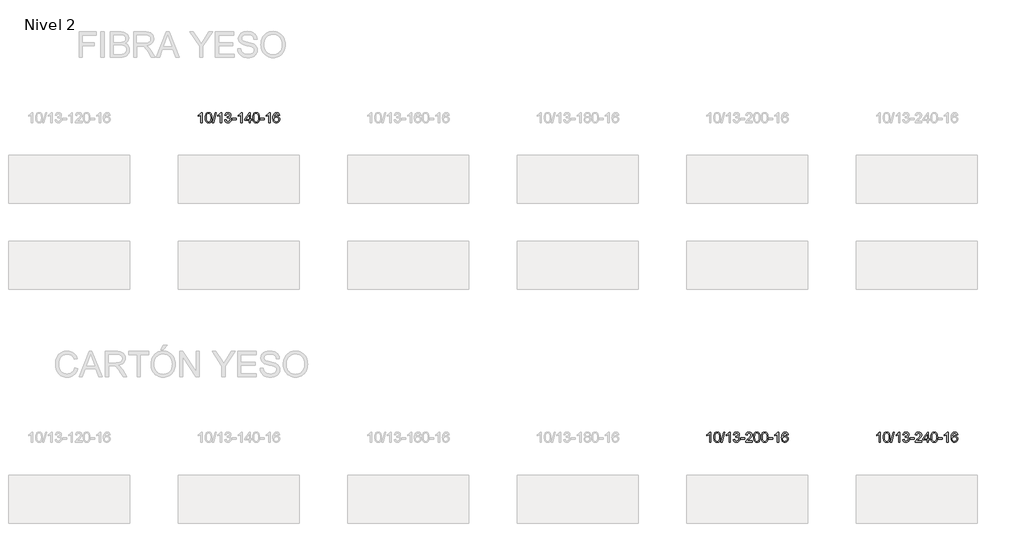
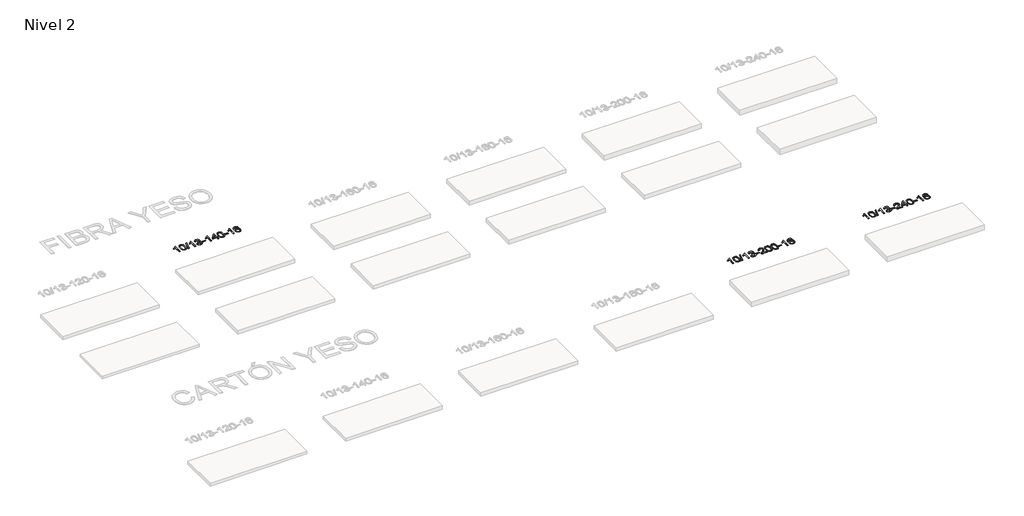
# One storey, part 27 of 51: 3 proxies.
"""IFC4 building model written with IfcOpenShell, lengths in millimetres."""

from ifc_helpers import new_model, si_unit, frame, origin, place, context, project, spatial, polyline, outline, extrude, element, save

model = new_model("IFC4")

# Units and contexts
model_context = context("Model", 3, world=origin())
ifc_project = project(units=[si_unit("LENGTHUNIT", "METRE", prefix="MILLI")], contexts=[model_context])

# Site, building, storey
site = spatial("IfcSite", under=ifc_project)
building = spatial("IfcBuilding", under=site)
storey = spatial("IfcBuildingStorey", under=building, Name="Nivel 2", Elevation=3000.0)

# Proxies
placement = place(None, origin())
element("IfcBuildingElementProxy", 1, Name="Texto de modelo 1", ObjectType="Texto de modelo 1", at=placement, inside=storey, context=model_context, shape_type="SweptSolid", body=[
    extrude(outline(polyline([(31144.4249421, -104863.8281584), (31094.196787, -104863.8281584), (31094.196787, -104550.6870041), (31073.2275133, -104567.6463641), (31046.6173823, -104584.5811986), (30993.7404768, -104609.9405308), (30993.7404768, -104562.459228), (31033.1896895, -104540.9994449), (31067.3659268, -104515.4684345), (31094.3071516, -104488.3187432), (31112.0513265, -104462.0029178), (31144.4249421, -104462.0029178), (31144.4249421, -104863.8281584)])), frame((0.0, 0.0, 3000.0), z_axis=(0.0, 0.0, 1.0), x_axis=(1.0, 0.0, 0.0)), (0.0, 0.0, 1.0), 10.0),
    extrude(outline(polyline([(31263.7168104, -104666.1528997), (31267.4078931, -104601.8348642), (31278.4811411, -104550.5398513), (31296.8261899, -104511.4830462), (31308.6842529, -104496.2496659), (31322.3326749, -104483.8796338), (31337.8174413, -104474.3085706), (31355.1845371, -104467.4720968), (31395.5657174, -104462.0029178), (31426.516856, -104465.2402794), (31454.2306329, -104474.9523641), (31477.4071986, -104490.7590271), (31494.7467033, -104512.2801238), (31507.8433024, -104539.3317132), (31518.291151, -104571.7298543), (31525.1337561, -104612.8713241), (31527.4146245, -104666.1528997), (31523.76033, -104730.1030532), (31512.7974466, -104781.2754387), (31494.5627623, -104820.3690321), (31482.7322905, -104835.6483976), (31469.0930656, -104848.082809), (31453.5899051, -104857.7182516), (31436.167627, -104864.6007106), (31395.5657174, -104870.1066778), (31367.9009914, -104867.7154449), (31343.3755251, -104860.5417459), (31321.9893184, -104848.5855811), (31303.7423715, -104831.8469503), (31286.2311885, -104801.5886562), (31273.7232006, -104763.8868831), (31266.2184079, -104718.7416309), (31263.7168104, -104666.1528997)]), holes=[polyline([(31313.9449655, -104666.0547978), (31315.4164934, -104709.719325), (31319.8310774, -104745.0635877), (31327.1887173, -104772.0875859), (31337.4894131, -104790.7913197), (31349.94835, -104803.516971), (31363.7807131, -104812.606722), (31378.9865022, -104818.0605726), (31395.5657174, -104819.8785227), (31412.1449327, -104818.0544412), (31427.3507218, -104812.5821965), (31441.1830848, -104803.4617887), (31453.6420218, -104790.6932178), (31463.9427176, -104771.9588272), (31471.3003575, -104744.9409603), (31475.7149415, -104709.6396172), (31477.1864694, -104666.0547978), (31475.7639924, -104623.5460333), (31471.4965613, -104588.8241043), (31464.384176, -104561.8890109), (31454.4268367, -104542.740753), (31442.1763662, -104529.392768), (31428.1845877, -104519.8584929), (31412.451501, -104514.1379279), (31394.9771063, -104512.2310729), (31378.4837301, -104513.9110674), (31363.5354584, -104518.9510507), (31350.132291, -104527.3510229), (31338.2742281, -104539.110984), (31327.6301757, -104559.9576304), (31320.0272811, -104588.0638149), (31315.4655444, -104623.4295373), (31313.9449655, -104666.0547978)])]), frame((0.0, 0.0, 3000.0), z_axis=(0.0, 0.0, 1.0), x_axis=(1.0, 0.0, 0.0)), (0.0, 0.0, 1.0), 10.0),
    extrude(outline(polyline([(31546.2501827, -104863.8281584), (31659.2635316, -104462.0029178), (31704.5865934, -104462.0029178), (31591.5732445, -104863.8281584), (31546.2501827, -104863.8281584)])), frame((0.0, 0.0, 3000.0), z_axis=(0.0, 0.0, 1.0), x_axis=(1.0, 0.0, 0.0)), (0.0, 0.0, 1.0), 10.0),
    extrude(outline(polyline([(31916.6828263, -104863.8281584), (31866.4546713, -104863.8281584), (31866.4546713, -104550.6870041), (31845.4853975, -104567.6463641), (31818.8752666, -104584.5811986), (31765.9983611, -104609.9405308), (31765.9983611, -104562.459228), (31805.4475737, -104540.9994449), (31839.6238111, -104515.4684345), (31866.5650359, -104488.3187432), (31884.3092108, -104462.0029178), (31916.6828263, -104462.0029178), (31916.6828263, -104863.8281584)])), frame((0.0, 0.0, 3000.0), z_axis=(0.0, 0.0, 1.0), x_axis=(1.0, 0.0, 0.0)), (0.0, 0.0, 1.0), 10.0),
    extrude(outline(polyline([(32035.9746947, -104757.0933289), (32086.2028497, -104750.8148095), (32097.447776, -104782.3790847), (32113.9166267, -104803.691715), (32136.4187421, -104815.8318208), (32165.7634625, -104819.8785227), (32200.1972173, -104814.3112419), (32214.4710387, -104807.3521408), (32226.7828228, -104797.6093993), (32243.778971, -104772.6915255), (32249.4443537, -104742.476151), (32243.8280219, -104713.7936181), (32226.9790265, -104690.5312132), (32201.4725415, -104675.1169576), (32169.8837409, -104669.9788724), (32134.6651712, -104675.4725769), (32140.2569776, -104625.2444218), (32148.3013305, -104625.833033), (32178.3940777, -104622.2277895), (32205.2985143, -104611.4120588), (32216.3717624, -104603.2328158), (32224.2812252, -104593.1160609), (32229.026903, -104581.0617942), (32230.6087956, -104567.0700157), (32226.0225334, -104545.3772407), (32212.2637467, -104527.7802186), (32191.2699475, -104516.1183593), (32164.9786476, -104512.2310729), (32138.6382968, -104516.1551475), (32117.1049373, -104527.9273714), (32101.3841134, -104547.5477445), (32092.4813691, -104575.0162668), (32042.253214, -104568.7377474), (32048.206771, -104544.7579727), (32057.0420702, -104523.6354148), (32068.7591118, -104505.3700737), (32083.3578956, -104489.9619495), (32100.3785693, -104477.7298731), (32119.3612802, -104468.9926757), (32140.3060285, -104463.7503573), (32163.2128141, -104462.0029178), (32194.789352, -104465.4487459), (32223.7907159, -104475.7862299), (32248.2426059, -104492.095665), (32266.1707218, -104513.4573462), (32277.1703934, -104538.0686517), (32280.8369506, -104564.1269597), (32277.3543344, -104588.4071714), (32266.9064858, -104610.4310402), (32249.6405575, -104629.1930219), (32225.7037023, -104643.6875725), (32257.1453502, -104656.3917641), (32280.4445432, -104678.0232254), (32294.8655174, -104707.4047341), (32299.6725088, -104743.3590678), (32297.2690131, -104768.8410273), (32290.058526, -104792.3118986), (32278.0410475, -104813.7716816), (32261.2165776, -104833.2203764), (32240.7194191, -104849.3581333), (32217.6838748, -104860.8851025), (32192.1099448, -104867.801284), (32163.997629, -104870.1066778), (32138.5892458, -104868.1385091), (32115.4372056, -104862.2340031), (32094.5415083, -104852.3931598), (32075.9021539, -104838.615979), (32060.2733004, -104821.7118014), (32048.4091061, -104802.4899671), (32040.3095708, -104780.9504763), (32035.9746947, -104757.0933289)])), frame((0.0, 0.0, 3000.0), z_axis=(0.0, 0.0, 1.0), x_axis=(1.0, 0.0, 0.0)), (0.0, 0.0, 1.0), 10.0),
    extrude(outline(polyline([(32331.0651057, -104744.5362901), (32331.0651057, -104694.3081351), (32488.0280903, -104694.3081351), (32488.0280903, -104744.5362901), (32331.0651057, -104744.5362901)])), frame((0.0, 0.0, 3000.0), z_axis=(0.0, 0.0, 1.0), x_axis=(1.0, 0.0, 0.0)), (0.0, 0.0, 1.0), 10.0),
    extrude(outline(polyline([(32720.3333075, -104863.8281584), (32670.1051525, -104863.8281584), (32670.1051525, -104550.6870041), (32649.1358787, -104567.6463641), (32622.5257478, -104584.5811986), (32569.6488423, -104609.9405308), (32569.6488423, -104562.459228), (32609.0980549, -104540.9994449), (32643.2742923, -104515.4684345), (32670.2155171, -104488.3187432), (32687.959692, -104462.0029178), (32720.3333075, -104462.0029178), (32720.3333075, -104863.8281584)])), frame((0.0, 0.0, 3000.0), z_axis=(0.0, 0.0, 1.0), x_axis=(1.0, 0.0, 0.0)), (0.0, 0.0, 1.0), 10.0),
    extrude(outline(polyline([(33002.8666798, -104863.8281584), (33002.8666798, -104769.6503677), (32820.7896177, -104769.6503677), (32820.7896177, -104719.4222126), (33015.4237186, -104468.2814372), (33053.0948349, -104468.2814372), (33053.0948349, -104719.4222126), (33103.32299, -104719.4222126), (33103.32299, -104769.6503677), (33053.0948349, -104769.6503677), (33053.0948349, -104863.8281584), (33002.8666798, -104863.8281584)]), holes=[polyline([(33002.8666798, -104719.4222126), (33002.8666798, -104564.2250616), (32882.5937929, -104719.4222126), (33002.8666798, -104719.4222126)])]), frame((0.0, 0.0, 3000.0), z_axis=(0.0, 0.0, 1.0), x_axis=(1.0, 0.0, 0.0)), (0.0, 0.0, 1.0), 10.0),
    extrude(outline(polyline([(33147.2726257, -104666.1528997), (33150.9637084, -104601.8348642), (33162.0369564, -104550.5398513), (33180.3820052, -104511.4830462), (33192.2400682, -104496.2496659), (33205.8884902, -104483.8796338), (33221.3732566, -104474.3085706), (33238.7403524, -104467.4720968), (33279.1215328, -104462.0029178), (33310.0726713, -104465.2402794), (33337.7864483, -104474.9523641), (33360.9630139, -104490.7590271), (33378.3025187, -104512.2801238), (33391.3991177, -104539.3317132), (33401.8469663, -104571.7298543), (33408.6895715, -104612.8713241), (33410.9704398, -104666.1528997), (33407.3161453, -104730.1030532), (33396.3532619, -104781.2754387), (33378.1185777, -104820.3690321), (33366.2881058, -104835.6483976), (33352.6488809, -104848.082809), (33337.1457204, -104857.7182516), (33319.7234423, -104864.6007106), (33279.1215328, -104870.1066778), (33251.4568067, -104867.7154449), (33226.9313404, -104860.5417459), (33205.5451337, -104848.5855811), (33187.2981868, -104831.8469503), (33169.7870038, -104801.5886562), (33157.279016, -104763.8868831), (33149.7742232, -104718.7416309), (33147.2726257, -104666.1528997)]), holes=[polyline([(33197.5007808, -104666.0547978), (33198.9723087, -104709.719325), (33203.3868927, -104745.0635877), (33210.7445326, -104772.0875859), (33221.0452284, -104790.7913197), (33233.5041654, -104803.516971), (33247.3365284, -104812.606722), (33262.5423175, -104818.0605726), (33279.1215328, -104819.8785227), (33295.700748, -104818.0544412), (33310.9065371, -104812.5821965), (33324.7389002, -104803.4617887), (33337.1978371, -104790.6932178), (33347.4985329, -104771.9588272), (33354.8561728, -104744.9409603), (33359.2707568, -104709.6396172), (33360.7422847, -104666.0547978), (33359.3198077, -104623.5460333), (33355.0523766, -104588.8241043), (33347.9399913, -104561.8890109), (33337.982652, -104542.740753), (33325.7321815, -104529.392768), (33311.740403, -104519.8584929), (33296.0073163, -104514.1379279), (33278.5329216, -104512.2310729), (33262.0395454, -104513.9110674), (33247.0912737, -104518.9510507), (33233.6881063, -104527.3510229), (33221.8300434, -104539.110984), (33211.185991, -104559.9576304), (33203.5830964, -104588.0638149), (33199.0213597, -104623.4295373), (33197.5007808, -104666.0547978)])]), frame((0.0, 0.0, 3000.0), z_axis=(0.0, 0.0, 1.0), x_axis=(1.0, 0.0, 0.0)), (0.0, 0.0, 1.0), 10.0),
    extrude(outline(polyline([(33442.3630367, -104744.5362901), (33442.3630367, -104694.3081351), (33599.3260214, -104694.3081351), (33599.3260214, -104744.5362901), (33442.3630367, -104744.5362901)])), frame((0.0, 0.0, 3000.0), z_axis=(0.0, 0.0, 1.0), x_axis=(1.0, 0.0, 0.0)), (0.0, 0.0, 1.0), 10.0),
    extrude(outline(polyline([(33831.6312386, -104863.8281584), (33781.4030835, -104863.8281584), (33781.4030835, -104550.6870041), (33760.4338098, -104567.6463641), (33733.8236788, -104584.5811986), (33680.9467734, -104609.9405308), (33680.9467734, -104562.459228), (33720.395986, -104540.9994449), (33754.5722233, -104515.4684345), (33781.5134481, -104488.3187432), (33799.257623, -104462.0029178), (33831.6312386, -104462.0029178), (33831.6312386, -104863.8281584)])), frame((0.0, 0.0, 3000.0), z_axis=(0.0, 0.0, 1.0), x_axis=(1.0, 0.0, 0.0)), (0.0, 0.0, 1.0), 10.0),
    extrude(outline(polyline([(34208.3424016, -104568.7377474), (34158.1142466, -104575.0162668), (34150.0208427, -104550.1229184), (34139.0824847, -104533.1267702), (34116.2983264, -104517.4549972), (34088.7562277, -104512.2310729), (34065.4079838, -104515.2722307), (34043.4331659, -104524.3957042), (34024.5608196, -104543.6114071), (34009.146564, -104570.0621226), (33998.7355035, -104607.4757215), (33994.8727426, -104659.5800747), (34015.0204132, -104636.0724152), (34039.1657348, -104619.5054627), (34065.9598068, -104609.6830134), (34094.0537285, -104606.4088637), (34118.1867874, -104608.6468125), (34140.4559108, -104615.3606589), (34160.8610988, -104626.5504029), (34179.4023513, -104642.2160445), (34194.8104756, -104661.4256161), (34205.8162786, -104683.2471497), (34212.4197604, -104707.6806456), (34214.620921, -104734.7261036), (34210.4761172, -104770.6927), (34198.0417058, -104804.0350715), (34178.3477563, -104832.3129342), (34152.4243384, -104853.0860042), (34121.4486744, -104865.8515094), (34086.5979867, -104870.1066778), (34056.655458, -104867.2862492), (34029.6130656, -104858.8249633), (34005.4708097, -104844.7228202), (33984.2286902, -104824.9798197), (33966.9106453, -104798.7620962), (33954.5406132, -104765.2357837), (33947.1185939, -104724.4008823), (33944.6445875, -104676.2573918), (33947.3914397, -104622.2829718), (33955.6319964, -104576.2180146), (33969.3662576, -104538.0625203), (33988.5942232, -104507.816489), (34009.4347382, -104487.7730516), (34033.5984539, -104473.4563106), (34061.0853703, -104464.866266), (34091.8954874, -104462.0029178), (34115.0291336, -104463.7748828), (34135.9677505, -104469.0907776), (34154.7113381, -104477.9506023), (34171.2598965, -104490.3543569), (34185.1658359, -104505.8851085), (34195.9815666, -104524.1259241), (34203.7070885, -104545.0768037), (34208.3424016, -104568.7377474)]), holes=[polyline([(33994.8727426, -104733.9412887), (33997.7790103, -104756.1981494), (34006.4978136, -104777.449466), (34020.035871, -104795.7209384), (34037.3999012, -104809.0382666), (34058.3569122, -104817.1684587), (34082.6739121, -104819.8785227), (34115.8200798, -104814.262191), (34129.7352163, -104807.2417762), (34141.8783878, -104797.4131956), (34151.7284283, -104785.1749879), (34158.7641714, -104770.9256919), (34164.3927659, -104736.3938353), (34158.8377478, -104703.2476675), (34151.8939752, -104689.6268367), (34142.1726934, -104677.9741745), (34129.9927337, -104668.6391688), (34115.6729271, -104661.9713077), (34080.6137729, -104656.6370188), (34047.5166561, -104661.9713077), (34019.8396673, -104677.9741745), (34008.9166377, -104689.4735525), (34001.1144738, -104702.6345309), (33996.4331754, -104717.4571096), (33994.8727426, -104733.9412887)])]), frame((0.0, 0.0, 3000.0), z_axis=(0.0, 0.0, 1.0), x_axis=(1.0, 0.0, 0.0)), (0.0, 0.0, 1.0), 10.0),
])
element("IfcBuildingElementProxy", 2, Name="Texto de modelo 1", ObjectType="Texto de modelo 1", at=placement, inside=storey, context=model_context, shape_type="SweptSolid", body=[
    extrude(outline(polyline([(51289.2465465, -117522.2088613), (51239.0183915, -117522.2088613), (51239.0183915, -117209.067707), (51218.0491177, -117226.027067), (51191.4389868, -117242.9619015), (51138.5620813, -117268.3212337), (51138.5620813, -117220.8399309), (51178.0112939, -117199.3801478), (51212.1875313, -117173.8491374), (51239.1287561, -117146.6994461), (51256.872931, -117120.3836207), (51289.2465465, -117120.3836207), (51289.2465465, -117522.2088613)])), frame((0.0, 0.0, 3000.0), z_axis=(0.0, 0.0, 1.0), x_axis=(1.0, 0.0, 0.0)), (0.0, 0.0, 1.0), 10.0),
    extrude(outline(polyline([(51408.5384148, -117324.5336026), (51412.2294975, -117260.2155671), (51423.3027456, -117208.9205542), (51441.6477944, -117169.8637491), (51453.5058574, -117154.6303688), (51467.1542794, -117142.2603367), (51482.6390457, -117132.6892735), (51500.0061416, -117125.8527997), (51540.3873219, -117120.3836207), (51571.3384604, -117123.6209823), (51599.0522374, -117133.333067), (51622.2288031, -117149.13973), (51639.5683078, -117170.6608267), (51652.6649068, -117197.7124161), (51663.1127555, -117230.1105572), (51669.9553606, -117271.252027), (51672.236229, -117324.5336026), (51668.5819345, -117388.4837561), (51657.6190511, -117439.6561416), (51639.3843668, -117478.749735), (51627.553895, -117494.0291005), (51613.91467, -117506.4635119), (51598.4115096, -117516.0989545), (51580.9892315, -117522.9814135), (51540.3873219, -117528.4873807), (51512.7225959, -117526.0961478), (51488.1971295, -117518.9224488), (51466.8109229, -117506.966284), (51448.5639759, -117490.2276532), (51431.052793, -117459.9693591), (51418.5448051, -117422.267586), (51411.0400124, -117377.1223338), (51408.5384148, -117324.5336026)]), holes=[polyline([(51458.7665699, -117324.4355007), (51460.2380979, -117368.1000279), (51464.6526818, -117403.4442906), (51472.0103218, -117430.4682888), (51482.3110176, -117449.1720226), (51494.7699545, -117461.8976739), (51508.6023175, -117470.9874249), (51523.8081067, -117476.4412755), (51540.3873219, -117478.2592256), (51556.9665372, -117476.4351441), (51572.1723263, -117470.9628994), (51586.0046893, -117461.8424916), (51598.4636262, -117449.0739207), (51608.7643221, -117430.3395301), (51616.121962, -117403.3216632), (51620.5365459, -117368.0203201), (51622.0080739, -117324.4355007), (51620.5855969, -117281.9267362), (51616.3181657, -117247.2048072), (51609.2057805, -117220.2697138), (51599.2484411, -117201.1214559), (51586.9979707, -117187.7734709), (51573.0061922, -117178.2391958), (51557.2731055, -117172.5186308), (51539.7987107, -117170.6117758), (51523.3053346, -117172.2917703), (51508.3570629, -117177.3317536), (51494.9538955, -117185.7317258), (51483.0958325, -117197.4916869), (51472.4517801, -117218.3383333), (51464.8488856, -117246.4445178), (51460.2871488, -117281.8102402), (51458.7665699, -117324.4355007)])]), frame((0.0, 0.0, 3000.0), z_axis=(0.0, 0.0, 1.0), x_axis=(1.0, 0.0, 0.0)), (0.0, 0.0, 1.0), 10.0),
    extrude(outline(polyline([(51691.0717871, -117522.2088613), (51804.0851361, -117120.3836207), (51849.4081979, -117120.3836207), (51736.394849, -117522.2088613), (51691.0717871, -117522.2088613)])), frame((0.0, 0.0, 3000.0), z_axis=(0.0, 0.0, 1.0), x_axis=(1.0, 0.0, 0.0)), (0.0, 0.0, 1.0), 10.0),
    extrude(outline(polyline([(52061.5044308, -117522.2088613), (52011.2762757, -117522.2088613), (52011.2762757, -117209.067707), (51990.307002, -117226.027067), (51963.696871, -117242.9619015), (51910.8199656, -117268.3212337), (51910.8199656, -117220.8399309), (51950.2691782, -117199.3801478), (51984.4454156, -117173.8491374), (52011.3866403, -117146.6994461), (52029.1308152, -117120.3836207), (52061.5044308, -117120.3836207), (52061.5044308, -117522.2088613)])), frame((0.0, 0.0, 3000.0), z_axis=(0.0, 0.0, 1.0), x_axis=(1.0, 0.0, 0.0)), (0.0, 0.0, 1.0), 10.0),
    extrude(outline(polyline([(52180.7962991, -117415.4740318), (52231.0244542, -117409.1955124), (52242.2693805, -117440.7597876), (52258.7382312, -117462.0724179), (52281.2403465, -117474.2125237), (52310.585067, -117478.2592256), (52345.0188218, -117472.6919448), (52359.2926432, -117465.7328437), (52371.6044273, -117455.9901022), (52388.6005755, -117431.0722284), (52394.2659582, -117400.8568539), (52388.6496264, -117372.174321), (52371.800631, -117348.9119161), (52346.294146, -117333.4976605), (52314.7053454, -117328.3595753), (52279.4867757, -117333.8532798), (52285.078582, -117283.6251247), (52293.122935, -117284.2137359), (52323.2156822, -117280.6084924), (52350.1201188, -117269.7927617), (52361.1933668, -117261.6135187), (52369.1028297, -117251.4967638), (52373.8485075, -117239.4424971), (52375.4304, -117225.4507186), (52370.8441378, -117203.7579436), (52357.0853512, -117186.1609215), (52336.091552, -117174.4990622), (52309.8002521, -117170.6117758), (52283.4599012, -117174.5358504), (52261.9265418, -117186.3080743), (52246.2057179, -117205.9284474), (52237.3029736, -117233.3969697), (52187.0748185, -117227.1184503), (52193.0283755, -117203.1386756), (52201.8636747, -117182.0161177), (52213.5807163, -117163.7507766), (52228.1795001, -117148.3426524), (52245.2001737, -117136.110576), (52264.1828847, -117127.3733786), (52285.127633, -117122.1310602), (52308.0344185, -117120.3836207), (52339.6109564, -117123.8294488), (52368.6123204, -117134.1669328), (52393.0642103, -117150.4763679), (52410.9923262, -117171.8380491), (52421.9919979, -117196.4493546), (52425.6585551, -117222.5076626), (52422.1759389, -117246.7878743), (52411.7280902, -117268.8117431), (52394.4621619, -117287.5737248), (52370.5253068, -117302.0682754), (52401.9669546, -117314.772467), (52425.2661477, -117336.4039283), (52439.6871219, -117365.785437), (52444.4941133, -117401.7397707), (52442.0906176, -117427.2217302), (52434.8801305, -117450.6926015), (52422.862652, -117472.1523845), (52406.038182, -117491.6010793), (52385.5410235, -117507.7388362), (52362.5054793, -117519.2658054), (52336.9315492, -117526.1819869), (52308.8192334, -117528.4873807), (52283.4108503, -117526.519212), (52260.2588101, -117520.614706), (52239.3631128, -117510.7738627), (52220.7237583, -117496.9966819), (52205.0949049, -117480.0925043), (52193.2307106, -117460.87067), (52185.1311753, -117439.3311792), (52180.7962991, -117415.4740318)])), frame((0.0, 0.0, 3000.0), z_axis=(0.0, 0.0, 1.0), x_axis=(1.0, 0.0, 0.0)), (0.0, 0.0, 1.0), 10.0),
    extrude(outline(polyline([(52475.8867102, -117402.916993), (52475.8867102, -117352.688838), (52632.8496948, -117352.688838), (52632.8496948, -117402.916993), (52475.8867102, -117402.916993)])), frame((0.0, 0.0, 3000.0), z_axis=(0.0, 0.0, 1.0), x_axis=(1.0, 0.0, 0.0)), (0.0, 0.0, 1.0), 10.0),
    extrude(outline(polyline([(52934.2186252, -117471.9807063), (52934.2186252, -117522.2088613), (52670.5208111, -117522.2088613), (52671.6244571, -117504.5260001), (52675.9164137, -117487.5789029), (52688.3017742, -117460.5150507), (52706.4260938, -117434.260539), (52732.6438174, -117406.779754), (52769.3093895, -117376.0370819), (52823.5106702, -117327.8935915), (52856.0314385, -117292.3561908), (52872.2918227, -117263.5142423), (52877.7119508, -117235.4571088), (52872.5983911, -117210.3062431), (52857.2577119, -117189.398283), (52833.676476, -117175.3084026), (52803.8412462, -117170.6117758), (52772.5099629, -117175.198038), (52748.1684376, -117188.9568246), (52732.4598764, -117210.8090152), (52727.0274856, -117239.675489), (52676.7993305, -117233.3969697), (52681.1188782, -117207.4674204), (52688.9762245, -117184.8120208), (52700.3713693, -117165.430771), (52715.3043127, -117149.323671), (52733.431698, -117136.662399), (52754.4101687, -117127.6186333), (52778.239725, -117122.1923739), (52804.9203667, -117120.3836207), (52831.8401317, -117122.394709), (52855.7984466, -117128.4279737), (52876.7953115, -117138.4834149), (52894.8307263, -117152.5610326), (52909.3160799, -117169.6184944), (52919.662761, -117188.6134681), (52925.8707696, -117209.5459536), (52927.9401059, -117232.415951), (52925.7082884, -117256.4386453), (52919.0128361, -117280.0444066), (52907.1302477, -117304.0548382), (52889.3370218, -117329.2915431), (52860.97332, -117359.4210785), (52817.3793036, -117398.1100016), (52759.5973049, -117446.4251703), (52736.935774, -117471.9807063), (52934.2186252, -117471.9807063)])), frame((0.0, 0.0, 3000.0), z_axis=(0.0, 0.0, 1.0), x_axis=(1.0, 0.0, 0.0)), (0.0, 0.0, 1.0), 10.0),
    extrude(outline(polyline([(52984.4467803, -117324.5336026), (52988.137863, -117260.2155671), (52999.2111111, -117208.9205542), (53017.5561599, -117169.8637491), (53029.4142229, -117154.6303688), (53043.0626449, -117142.2603367), (53058.5474112, -117132.6892735), (53075.9145071, -117125.8527997), (53116.2956874, -117120.3836207), (53147.2468259, -117123.6209823), (53174.9606029, -117133.333067), (53198.1371686, -117149.13973), (53215.4766733, -117170.6608267), (53228.5732723, -117197.7124161), (53239.021121, -117230.1105572), (53245.8637261, -117271.252027), (53248.1445945, -117324.5336026), (53244.4903, -117388.4837561), (53233.5274165, -117439.6561416), (53215.2927323, -117478.749735), (53203.4622605, -117494.0291005), (53189.8230355, -117506.4635119), (53174.3198751, -117516.0989545), (53156.8975969, -117522.9814135), (53116.2956874, -117528.4873807), (53088.6309614, -117526.0961478), (53064.105495, -117518.9224488), (53042.7192884, -117506.966284), (53024.4723414, -117490.2276532), (53006.9611584, -117459.9693591), (52994.4531706, -117422.267586), (52986.9483779, -117377.1223338), (52984.4467803, -117324.5336026)]), holes=[polyline([(53034.6749354, -117324.4355007), (53036.1464634, -117368.1000279), (53040.5610473, -117403.4442906), (53047.9186872, -117430.4682888), (53058.2193831, -117449.1720226), (53070.67832, -117461.8976739), (53084.510683, -117470.9874249), (53099.7164721, -117476.4412755), (53116.2956874, -117478.2592256), (53132.8749026, -117476.4351441), (53148.0806918, -117470.9628994), (53161.9130548, -117461.8424916), (53174.3719917, -117449.0739207), (53184.6726876, -117430.3395301), (53192.0303275, -117403.3216632), (53196.4449114, -117368.0203201), (53197.9164394, -117324.4355007), (53196.4939623, -117281.9267362), (53192.2265312, -117247.2048072), (53185.114146, -117220.2697138), (53175.1568066, -117201.1214559), (53162.9063362, -117187.7734709), (53148.9145576, -117178.2391958), (53133.181471, -117172.5186308), (53115.7070762, -117170.6117758), (53099.2137001, -117172.2917703), (53084.2654283, -117177.3317536), (53070.862261, -117185.7317258), (53059.004198, -117197.4916869), (53048.3601456, -117218.3383333), (53040.757251, -117246.4445178), (53036.1955143, -117281.8102402), (53034.6749354, -117324.4355007)])]), frame((0.0, 0.0, 3000.0), z_axis=(0.0, 0.0, 1.0), x_axis=(1.0, 0.0, 0.0)), (0.0, 0.0, 1.0), 10.0),
    extrude(outline(polyline([(53292.0942302, -117324.5336026), (53295.7853128, -117260.2155671), (53306.8585609, -117208.9205542), (53325.2036097, -117169.8637491), (53337.0616727, -117154.6303688), (53350.7100947, -117142.2603367), (53366.194861, -117132.6892735), (53383.5619569, -117125.8527997), (53423.9431372, -117120.3836207), (53454.8942758, -117123.6209823), (53482.6080527, -117133.333067), (53505.7846184, -117149.13973), (53523.1241231, -117170.6608267), (53536.2207222, -117197.7124161), (53546.6685708, -117230.1105572), (53553.5111759, -117271.252027), (53555.7920443, -117324.5336026), (53552.1377498, -117388.4837561), (53541.1748664, -117439.6561416), (53522.9401821, -117478.749735), (53511.1097103, -117494.0291005), (53497.4704853, -117506.4635119), (53481.9673249, -117516.0989545), (53464.5450468, -117522.9814135), (53423.9431372, -117528.4873807), (53396.2784112, -117526.0961478), (53371.7529448, -117518.9224488), (53350.3667382, -117506.966284), (53332.1197912, -117490.2276532), (53314.6086083, -117459.9693591), (53302.1006204, -117422.267586), (53294.5958277, -117377.1223338), (53292.0942302, -117324.5336026)]), holes=[polyline([(53342.3223852, -117324.4355007), (53343.7939132, -117368.1000279), (53348.2084972, -117403.4442906), (53355.5661371, -117430.4682888), (53365.8668329, -117449.1720226), (53378.3257698, -117461.8976739), (53392.1581328, -117470.9874249), (53407.363922, -117476.4412755), (53423.9431372, -117478.2592256), (53440.5223525, -117476.4351441), (53455.7281416, -117470.9628994), (53469.5605046, -117461.8424916), (53482.0194415, -117449.0739207), (53492.3201374, -117430.3395301), (53499.6777773, -117403.3216632), (53504.0923612, -117368.0203201), (53505.5638892, -117324.4355007), (53504.1414122, -117281.9267362), (53499.873981, -117247.2048072), (53492.7615958, -117220.2697138), (53482.8042565, -117201.1214559), (53470.553786, -117187.7734709), (53456.5620075, -117178.2391958), (53440.8289208, -117172.5186308), (53423.354526, -117170.6117758), (53406.8611499, -117172.2917703), (53391.9128782, -117177.3317536), (53378.5097108, -117185.7317258), (53366.6516478, -117197.4916869), (53356.0075955, -117218.3383333), (53348.4047009, -117246.4445178), (53343.8429641, -117281.8102402), (53342.3223852, -117324.4355007)])]), frame((0.0, 0.0, 3000.0), z_axis=(0.0, 0.0, 1.0), x_axis=(1.0, 0.0, 0.0)), (0.0, 0.0, 1.0), 10.0),
    extrude(outline(polyline([(53587.1846412, -117402.916993), (53587.1846412, -117352.688838), (53744.1476258, -117352.688838), (53744.1476258, -117402.916993), (53587.1846412, -117402.916993)])), frame((0.0, 0.0, 3000.0), z_axis=(0.0, 0.0, 1.0), x_axis=(1.0, 0.0, 0.0)), (0.0, 0.0, 1.0), 10.0),
    extrude(outline(polyline([(53976.452843, -117522.2088613), (53926.224688, -117522.2088613), (53926.224688, -117209.067707), (53905.2554142, -117226.027067), (53878.6452833, -117242.9619015), (53825.7683778, -117268.3212337), (53825.7683778, -117220.8399309), (53865.2175904, -117199.3801478), (53899.3938278, -117173.8491374), (53926.3350526, -117146.6994461), (53944.0792275, -117120.3836207), (53976.452843, -117120.3836207), (53976.452843, -117522.2088613)])), frame((0.0, 0.0, 3000.0), z_axis=(0.0, 0.0, 1.0), x_axis=(1.0, 0.0, 0.0)), (0.0, 0.0, 1.0), 10.0),
    extrude(outline(polyline([(54353.1640061, -117227.1184503), (54302.935851, -117233.3969697), (54294.8424471, -117208.5036213), (54283.9040892, -117191.5074731), (54261.1199309, -117175.8357001), (54233.5778322, -117170.6117758), (54210.2295883, -117173.6529336), (54188.2547704, -117182.7764071), (54169.3824241, -117201.99211), (54153.9681685, -117228.4428255), (54143.557108, -117265.8564244), (54139.694347, -117317.9607776), (54159.8420176, -117294.4531181), (54183.9873393, -117277.8861656), (54210.7814112, -117268.0637163), (54238.8753329, -117264.7895666), (54263.0083918, -117267.0275154), (54285.2775153, -117273.7413618), (54305.6827033, -117284.9311058), (54324.2239558, -117300.5967474), (54339.6320801, -117319.806319), (54350.6378831, -117341.6278526), (54357.2413649, -117366.0613485), (54359.4425255, -117393.1068065), (54355.2977217, -117429.0734029), (54342.8633102, -117462.4157744), (54323.1693608, -117490.6936371), (54297.2459428, -117511.4667071), (54266.2702788, -117524.2322123), (54231.4195912, -117528.4873807), (54201.4770624, -117525.6669521), (54174.4346701, -117517.2056662), (54150.2924142, -117503.1035231), (54129.0502946, -117483.3605226), (54111.7322497, -117457.1427991), (54099.3622176, -117423.6164866), (54091.9401984, -117382.7815852), (54089.466192, -117334.6380947), (54092.2130442, -117280.6636747), (54100.4536009, -117234.5987175), (54114.187862, -117196.4432232), (54133.4158277, -117166.1971919), (54154.2563427, -117146.1537545), (54178.4200584, -117131.8370135), (54205.9069748, -117123.2469689), (54236.7170919, -117120.3836207), (54259.850738, -117122.1555857), (54280.7893549, -117127.4714805), (54299.5329426, -117136.3313052), (54316.081501, -117148.7350598), (54329.9874404, -117164.2658114), (54340.8031711, -117182.506627), (54348.528693, -117203.4575066), (54353.1640061, -117227.1184503)]), holes=[polyline([(54139.694347, -117392.3219916), (54142.6006148, -117414.5788523), (54151.3194181, -117435.8301689), (54164.8574755, -117454.1016413), (54182.2215057, -117467.4189695), (54203.1785167, -117475.5491616), (54227.4955166, -117478.2592256), (54260.6416843, -117472.6428939), (54274.5568208, -117465.6224791), (54286.6999923, -117455.7938985), (54296.5500327, -117443.5556908), (54303.5857759, -117429.3063948), (54309.2143704, -117394.7745382), (54303.6593523, -117361.6283704), (54296.7155796, -117348.0075396), (54286.9942979, -117336.3548774), (54274.8143382, -117327.0198717), (54260.4945315, -117320.3520106), (54225.4353774, -117315.0177217), (54192.3382606, -117320.3520106), (54164.6612718, -117336.3548774), (54153.7382422, -117347.8542554), (54145.9360782, -117361.0152338), (54141.2547798, -117375.8378125), (54139.694347, -117392.3219916)])]), frame((0.0, 0.0, 3000.0), z_axis=(0.0, 0.0, 1.0), x_axis=(1.0, 0.0, 0.0)), (0.0, 0.0, 1.0), 10.0),
])
element("IfcBuildingElementProxy", 3, Name="Texto de modelo 1", ObjectType="Texto de modelo 1", at=placement, inside=storey, context=model_context, shape_type="SweptSolid", body=[
    extrude(outline(polyline([(58004.1870814, -117522.2088613), (57953.9589263, -117522.2088613), (57953.9589263, -117209.067707), (57932.9896526, -117226.027067), (57906.3795216, -117242.9619015), (57853.5026161, -117268.3212337), (57853.5026161, -117220.8399309), (57892.9518288, -117199.3801478), (57927.1280661, -117173.8491374), (57954.0692909, -117146.6994461), (57971.8134658, -117120.3836207), (58004.1870814, -117120.3836207), (58004.1870814, -117522.2088613)])), frame((0.0, 0.0, 3000.0), z_axis=(0.0, 0.0, 1.0), x_axis=(1.0, 0.0, 0.0)), (0.0, 0.0, 1.0), 10.0),
    extrude(outline(polyline([(58123.4789497, -117324.5336026), (58127.1700324, -117260.2155671), (58138.2432804, -117208.9205542), (58156.5883292, -117169.8637491), (58168.4463922, -117154.6303688), (58182.0948142, -117142.2603367), (58197.5795806, -117132.6892735), (58214.9466764, -117125.8527997), (58255.3278567, -117120.3836207), (58286.2789953, -117123.6209823), (58313.9927722, -117133.333067), (58337.1693379, -117149.13973), (58354.5088426, -117170.6608267), (58367.6054417, -117197.7124161), (58378.0532903, -117230.1105572), (58384.8958954, -117271.252027), (58387.1767638, -117324.5336026), (58383.5224693, -117388.4837561), (58372.5595859, -117439.6561416), (58354.3249016, -117478.749735), (58342.4944298, -117494.0291005), (58328.8552048, -117506.4635119), (58313.3520444, -117516.0989545), (58295.9297663, -117522.9814135), (58255.3278567, -117528.4873807), (58227.6631307, -117526.0961478), (58203.1376644, -117518.9224488), (58181.7514577, -117506.966284), (58163.5045107, -117490.2276532), (58145.9933278, -117459.9693591), (58133.4853399, -117422.267586), (58125.9805472, -117377.1223338), (58123.4789497, -117324.5336026)]), holes=[polyline([(58173.7071047, -117324.4355007), (58175.1786327, -117368.1000279), (58179.5932167, -117403.4442906), (58186.9508566, -117430.4682888), (58197.2515524, -117449.1720226), (58209.7104893, -117461.8976739), (58223.5428524, -117470.9874249), (58238.7486415, -117476.4412755), (58255.3278567, -117478.2592256), (58271.907072, -117476.4351441), (58287.1128611, -117470.9628994), (58300.9452241, -117461.8424916), (58313.4041611, -117449.0739207), (58323.7048569, -117430.3395301), (58331.0624968, -117403.3216632), (58335.4770808, -117368.0203201), (58336.9486087, -117324.4355007), (58335.5261317, -117281.9267362), (58331.2587005, -117247.2048072), (58324.1463153, -117220.2697138), (58314.188976, -117201.1214559), (58301.9385055, -117187.7734709), (58287.946727, -117178.2391958), (58272.2136403, -117172.5186308), (58254.7392456, -117170.6117758), (58238.2458694, -117172.2917703), (58223.2975977, -117177.3317536), (58209.8944303, -117185.7317258), (58198.0363674, -117197.4916869), (58187.392315, -117218.3383333), (58179.7894204, -117246.4445178), (58175.2276837, -117281.8102402), (58173.7071047, -117324.4355007)])]), frame((0.0, 0.0, 3000.0), z_axis=(0.0, 0.0, 1.0), x_axis=(1.0, 0.0, 0.0)), (0.0, 0.0, 1.0), 10.0),
    extrude(outline(polyline([(58406.012322, -117522.2088613), (58519.0256709, -117120.3836207), (58564.3487327, -117120.3836207), (58451.3353838, -117522.2088613), (58406.012322, -117522.2088613)])), frame((0.0, 0.0, 3000.0), z_axis=(0.0, 0.0, 1.0), x_axis=(1.0, 0.0, 0.0)), (0.0, 0.0, 1.0), 10.0),
    extrude(outline(polyline([(58776.4449656, -117522.2088613), (58726.2168106, -117522.2088613), (58726.2168106, -117209.067707), (58705.2475368, -117226.027067), (58678.6374059, -117242.9619015), (58625.7605004, -117268.3212337), (58625.7605004, -117220.8399309), (58665.209713, -117199.3801478), (58699.3859504, -117173.8491374), (58726.3271752, -117146.6994461), (58744.0713501, -117120.3836207), (58776.4449656, -117120.3836207), (58776.4449656, -117522.2088613)])), frame((0.0, 0.0, 3000.0), z_axis=(0.0, 0.0, 1.0), x_axis=(1.0, 0.0, 0.0)), (0.0, 0.0, 1.0), 10.0),
    extrude(outline(polyline([(58895.7368339, -117415.4740318), (58945.964989, -117409.1955124), (58957.2099153, -117440.7597876), (58973.678766, -117462.0724179), (58996.1808814, -117474.2125237), (59025.5256018, -117478.2592256), (59059.9593566, -117472.6919448), (59074.233178, -117465.7328437), (59086.5449621, -117455.9901022), (59103.5411103, -117431.0722284), (59109.206493, -117400.8568539), (59103.5901612, -117372.174321), (59086.7411658, -117348.9119161), (59061.2346808, -117333.4976605), (59029.6458802, -117328.3595753), (58994.4273105, -117333.8532798), (59000.0191168, -117283.6251247), (59008.0634698, -117284.2137359), (59038.156217, -117280.6084924), (59065.0606536, -117269.7927617), (59076.1339017, -117261.6135187), (59084.0433645, -117251.4967638), (59088.7890423, -117239.4424971), (59090.3709349, -117225.4507186), (59085.7846727, -117203.7579436), (59072.025886, -117186.1609215), (59051.0320868, -117174.4990622), (59024.7407869, -117170.6117758), (58998.4004361, -117174.5358504), (58976.8670766, -117186.3080743), (58961.1462527, -117205.9284474), (58952.2435084, -117233.3969697), (58902.0153533, -117227.1184503), (58907.9689103, -117203.1386756), (58916.8042095, -117182.0161177), (58928.5212511, -117163.7507766), (58943.1200349, -117148.3426524), (58960.1407086, -117136.110576), (58979.1234195, -117127.3733786), (59000.0681678, -117122.1310602), (59022.9749533, -117120.3836207), (59054.5514913, -117123.8294488), (59083.5528552, -117134.1669328), (59108.0047452, -117150.4763679), (59125.9328611, -117171.8380491), (59136.9325327, -117196.4493546), (59140.5990899, -117222.5076626), (59137.1164737, -117246.7878743), (59126.6686251, -117268.8117431), (59109.4026967, -117287.5737248), (59085.4658416, -117302.0682754), (59116.9074894, -117314.772467), (59140.2066825, -117336.4039283), (59154.6276567, -117365.785437), (59159.4346481, -117401.7397707), (59157.0311524, -117427.2217302), (59149.8206653, -117450.6926015), (59137.8031868, -117472.1523845), (59120.9787169, -117491.6010793), (59100.4815584, -117507.7388362), (59077.4460141, -117519.2658054), (59051.8720841, -117526.1819869), (59023.7597683, -117528.4873807), (58998.3513851, -117526.519212), (58975.1993449, -117520.614706), (58954.3036476, -117510.7738627), (58935.6642932, -117496.9966819), (58920.0354397, -117480.0925043), (58908.1712454, -117460.87067), (58900.0717101, -117439.3311792), (58895.7368339, -117415.4740318)])), frame((0.0, 0.0, 3000.0), z_axis=(0.0, 0.0, 1.0), x_axis=(1.0, 0.0, 0.0)), (0.0, 0.0, 1.0), 10.0),
    extrude(outline(polyline([(59190.827245, -117402.916993), (59190.827245, -117352.688838), (59347.7902296, -117352.688838), (59347.7902296, -117402.916993), (59190.827245, -117402.916993)])), frame((0.0, 0.0, 3000.0), z_axis=(0.0, 0.0, 1.0), x_axis=(1.0, 0.0, 0.0)), (0.0, 0.0, 1.0), 10.0),
    extrude(outline(polyline([(59649.1591601, -117471.9807063), (59649.1591601, -117522.2088613), (59385.4613459, -117522.2088613), (59386.5649919, -117504.5260001), (59390.8569485, -117487.5789029), (59403.242309, -117460.5150507), (59421.3666287, -117434.260539), (59447.5843522, -117406.779754), (59484.2499244, -117376.0370819), (59538.451205, -117327.8935915), (59570.9719734, -117292.3561908), (59587.2323575, -117263.5142423), (59592.6524856, -117235.4571088), (59587.5389259, -117210.3062431), (59572.1982467, -117189.398283), (59548.6170108, -117175.3084026), (59518.781781, -117170.6117758), (59487.4504977, -117175.198038), (59463.1089724, -117188.9568246), (59447.4004112, -117210.8090152), (59441.9680204, -117239.675489), (59391.7398653, -117233.3969697), (59396.0594131, -117207.4674204), (59403.9167594, -117184.8120208), (59415.3119042, -117165.430771), (59430.2448475, -117149.323671), (59448.3722328, -117136.662399), (59469.3507036, -117127.6186333), (59493.1802598, -117122.1923739), (59519.8609015, -117120.3836207), (59546.7806665, -117122.394709), (59570.7389814, -117128.4279737), (59591.7358463, -117138.4834149), (59609.7712611, -117152.5610326), (59624.2566147, -117169.6184944), (59634.6032958, -117188.6134681), (59640.8113045, -117209.5459536), (59642.8806407, -117232.415951), (59640.6488232, -117256.4386453), (59633.9533709, -117280.0444066), (59622.0707825, -117304.0548382), (59604.2775567, -117329.2915431), (59575.9138548, -117359.4210785), (59532.3198384, -117398.1100016), (59474.5378397, -117446.4251703), (59451.8763088, -117471.9807063), (59649.1591601, -117471.9807063)])), frame((0.0, 0.0, 3000.0), z_axis=(0.0, 0.0, 1.0), x_axis=(1.0, 0.0, 0.0)), (0.0, 0.0, 1.0), 10.0),
    extrude(outline(polyline([(59862.6288191, -117522.2088613), (59862.6288191, -117428.0310706), (59680.551757, -117428.0310706), (59680.551757, -117377.8029155), (59875.1858579, -117126.6621401), (59912.8569742, -117126.6621401), (59912.8569742, -117377.8029155), (59963.0851293, -117377.8029155), (59963.0851293, -117428.0310706), (59912.8569742, -117428.0310706), (59912.8569742, -117522.2088613), (59862.6288191, -117522.2088613)]), holes=[polyline([(59862.6288191, -117377.8029155), (59862.6288191, -117222.6057645), (59742.3559322, -117377.8029155), (59862.6288191, -117377.8029155)])]), frame((0.0, 0.0, 3000.0), z_axis=(0.0, 0.0, 1.0), x_axis=(1.0, 0.0, 0.0)), (0.0, 0.0, 1.0), 10.0),
    extrude(outline(polyline([(60007.034765, -117324.5336026), (60010.7258477, -117260.2155671), (60021.7990957, -117208.9205542), (60040.1441445, -117169.8637491), (60052.0022075, -117154.6303688), (60065.6506295, -117142.2603367), (60081.1353959, -117132.6892735), (60098.5024917, -117125.8527997), (60138.8836721, -117120.3836207), (60169.8348106, -117123.6209823), (60197.5485875, -117133.333067), (60220.7251532, -117149.13973), (60238.064658, -117170.6608267), (60251.161257, -117197.7124161), (60261.6091056, -117230.1105572), (60268.4517108, -117271.252027), (60270.7325791, -117324.5336026), (60267.0782846, -117388.4837561), (60256.1154012, -117439.6561416), (60237.880717, -117478.749735), (60226.0502451, -117494.0291005), (60212.4110202, -117506.4635119), (60196.9078597, -117516.0989545), (60179.4855816, -117522.9814135), (60138.8836721, -117528.4873807), (60111.218946, -117526.0961478), (60086.6934797, -117518.9224488), (60065.307273, -117506.966284), (60047.0603261, -117490.2276532), (60029.5491431, -117459.9693591), (60017.0411552, -117422.267586), (60009.5363625, -117377.1223338), (60007.034765, -117324.5336026)]), holes=[polyline([(60057.2629201, -117324.4355007), (60058.734448, -117368.1000279), (60063.149032, -117403.4442906), (60070.5066719, -117430.4682888), (60080.8073677, -117449.1720226), (60093.2663046, -117461.8976739), (60107.0986677, -117470.9874249), (60122.3044568, -117476.4412755), (60138.8836721, -117478.2592256), (60155.4628873, -117476.4351441), (60170.6686764, -117470.9628994), (60184.5010395, -117461.8424916), (60196.9599764, -117449.0739207), (60207.2606722, -117430.3395301), (60214.6183121, -117403.3216632), (60219.0328961, -117368.0203201), (60220.504424, -117324.4355007), (60219.081947, -117281.9267362), (60214.8145159, -117247.2048072), (60207.7021306, -117220.2697138), (60197.7447913, -117201.1214559), (60185.4943208, -117187.7734709), (60171.5025423, -117178.2391958), (60155.7694556, -117172.5186308), (60138.2950609, -117170.6117758), (60121.8016847, -117172.2917703), (60106.853413, -117177.3317536), (60093.4502456, -117185.7317258), (60081.5921827, -117197.4916869), (60070.9481303, -117218.3383333), (60063.3452357, -117246.4445178), (60058.783499, -117281.8102402), (60057.2629201, -117324.4355007)])]), frame((0.0, 0.0, 3000.0), z_axis=(0.0, 0.0, 1.0), x_axis=(1.0, 0.0, 0.0)), (0.0, 0.0, 1.0), 10.0),
    extrude(outline(polyline([(60302.125176, -117402.916993), (60302.125176, -117352.688838), (60459.0881607, -117352.688838), (60459.0881607, -117402.916993), (60302.125176, -117402.916993)])), frame((0.0, 0.0, 3000.0), z_axis=(0.0, 0.0, 1.0), x_axis=(1.0, 0.0, 0.0)), (0.0, 0.0, 1.0), 10.0),
    extrude(outline(polyline([(60691.3933779, -117522.2088613), (60641.1652228, -117522.2088613), (60641.1652228, -117209.067707), (60620.1959491, -117226.027067), (60593.5858181, -117242.9619015), (60540.7089126, -117268.3212337), (60540.7089126, -117220.8399309), (60580.1581253, -117199.3801478), (60614.3343626, -117173.8491374), (60641.2755874, -117146.6994461), (60659.0197623, -117120.3836207), (60691.3933779, -117120.3836207), (60691.3933779, -117522.2088613)])), frame((0.0, 0.0, 3000.0), z_axis=(0.0, 0.0, 1.0), x_axis=(1.0, 0.0, 0.0)), (0.0, 0.0, 1.0), 10.0),
    extrude(outline(polyline([(61068.1045409, -117227.1184503), (61017.8763859, -117233.3969697), (61009.782982, -117208.5036213), (60998.844624, -117191.5074731), (60976.0604657, -117175.8357001), (60948.518367, -117170.6117758), (60925.1701231, -117173.6529336), (60903.1953052, -117182.7764071), (60884.3229589, -117201.99211), (60868.9087033, -117228.4428255), (60858.4976428, -117265.8564244), (60854.6348819, -117317.9607776), (60874.7825525, -117294.4531181), (60898.9278741, -117277.8861656), (60925.7219461, -117268.0637163), (60953.8158678, -117264.7895666), (60977.9489266, -117267.0275154), (61000.2180501, -117273.7413618), (61020.6232381, -117284.9311058), (61039.1644906, -117300.5967474), (61054.5726149, -117319.806319), (61065.5784179, -117341.6278526), (61072.1818997, -117366.0613485), (61074.3830603, -117393.1068065), (61070.2382565, -117429.0734029), (61057.8038451, -117462.4157744), (61038.1098956, -117490.6936371), (61012.1864777, -117511.4667071), (60981.2108137, -117524.2322123), (60946.360126, -117528.4873807), (60916.4175973, -117525.6669521), (60889.3752049, -117517.2056662), (60865.232949, -117503.1035231), (60843.9908295, -117483.3605226), (60826.6727845, -117457.1427991), (60814.3027525, -117423.6164866), (60806.8807332, -117382.7815852), (60804.4067268, -117334.6380947), (60807.153579, -117280.6636747), (60815.3941357, -117234.5987175), (60829.1283969, -117196.4432232), (60848.3563625, -117166.1971919), (60869.1968775, -117146.1537545), (60893.3605932, -117131.8370135), (60920.8475096, -117123.2469689), (60951.6576267, -117120.3836207), (60974.7912729, -117122.1555857), (60995.7298897, -117127.4714805), (61014.4734774, -117136.3313052), (61031.0220358, -117148.7350598), (61044.9279752, -117164.2658114), (61055.7437059, -117182.506627), (61063.4692278, -117203.4575066), (61068.1045409, -117227.1184503)]), holes=[polyline([(60854.6348819, -117392.3219916), (60857.5411496, -117414.5788523), (60866.2599529, -117435.8301689), (60879.7980103, -117454.1016413), (60897.1620405, -117467.4189695), (60918.1190515, -117475.5491616), (60942.4360514, -117478.2592256), (60975.5822191, -117472.6428939), (60989.4973556, -117465.6224791), (61001.6405271, -117455.7938985), (61011.4905676, -117443.5556908), (61018.5263107, -117429.3063948), (61024.1549052, -117394.7745382), (61018.5998871, -117361.6283704), (61011.6561145, -117348.0075396), (61001.9348327, -117336.3548774), (60989.754873, -117327.0198717), (60975.4350663, -117320.3520106), (60940.3759122, -117315.0177217), (60907.2787954, -117320.3520106), (60879.6018066, -117336.3548774), (60868.678777, -117347.8542554), (60860.8766131, -117361.0152338), (60856.1953147, -117375.8378125), (60854.6348819, -117392.3219916)])]), frame((0.0, 0.0, 3000.0), z_axis=(0.0, 0.0, 1.0), x_axis=(1.0, 0.0, 0.0)), (0.0, 0.0, 1.0), 10.0),
])

save(model, "model.ifc")
